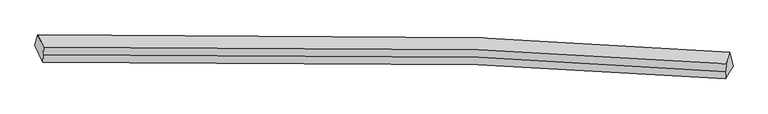
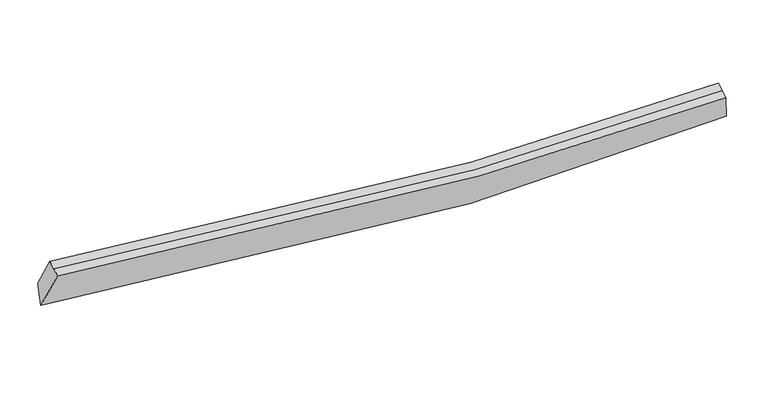
"""IFC4 building model written with IfcOpenShell, lengths in millimetres: proxy geometry."""

from ifc_helpers import new_model, si_unit, frame, origin, place, context, project, spatial, source, transform, mapped, element, save
from ifc_brep_helpers import plane_surface, spline_curve, spline_surface, advanced_brep


def generic_models_317778de(model_context):
    return source(origin(), model_context, "Body", "AdvancedBrep", [
        advanced_brep(
        [(-8141.5649091, -1854.1805428, 3074.127455), (-8078.421106, -1616.4506038, 3453.28693), (7508.31337, -2008.5243933, 2716.9026455), (7578.1426803, -2319.907325, 2526.8884629), (-7962.6564304, -2227.2816517, 3975.3958348), (7407.7750349, -2604.1259843, 3225.2094308), (-7955.4356529, -2065.2247733, 4041.0496889), (7414.9958124, -2442.069106, 3290.8632849), (-7947.5959516, -1889.2773054, 4112.3310162), (7422.8355136, -2266.1216381, 3362.1446122)],
        [
            (0, 1),
            (1, 2, spline_curve(3, [(-8078.421106, -1616.4506038, 3453.28693), (-4768.776526337, -1527.322274295, 2865.504949819), (-1457.317452547, -1548.142237774, 2552.693293944), (3739.488808774, -1753.249746336, 2493.339887602), (5623.607893894, -1863.121046301, 2560.690115315), (7508.31337, -2008.5243933, 2716.9026455)], [4, 2, 4], [0.0, 32.88318576460415, 51.57664835720625])),
            (2, 3),
            (3, 0, spline_curve(3, [(7578.1426803, -2319.907325, 2526.8884629), (5658.230414677, -2142.104755892, 2284.598455826), (3745.842318969, -2008.35192689, 2154.086473018), (-1509.81839276, -1760.854459881, 2102.398095886), (-4837.332826183, -1739.36502716, 2415.323075703), (-8141.5649091, -1854.1805428, 3074.127455)], [4, 2, 4], [0.0, 18.693462592602103, 51.57664835720625])),
            (4, 0),
            (3, 5),
            (5, 4, spline_curve(3, [(7407.7750349, -2604.1259843, 3225.2094308), (5552.786583009, -2462.375976172, 3074.746275944), (3697.085280391, -2355.500759722, 3011.665980353), (-1424.898920638, -2156.846253425, 3078.718552462), (-4692.674772834, -2138.106692216, 3391.860983161), (-7962.6564304, -2227.2816517, 3975.3958348)], [4, 2, 4], [0.0, 18.564628187695668, 51.22118468827641])),
            (6, 4),
            (5, 7),
            (7, 6, spline_curve(3, [(7414.9958124, -2442.069106, 3290.8632849), (5560.007360797, -2300.319098246, 3140.400129983), (3704.306057493, -2193.443881536, 3077.319834224), (-1417.678142439, -1994.789374926, 3144.372406689), (-4685.453994493, -1976.049813353, 3457.5148371), (-7955.4356529, -2065.2247733, 4041.0496889)], [4, 2, 4], [0.0, 18.34870964875965, 50.625449441189986])),
            (8, 6),
            (7, 9),
            (9, 8, spline_curve(3, [(7422.8355136, -2266.1216381, 3362.1446122), (5567.847061997, -2124.371630346, 3211.681457283), (3712.145758693, -2017.496413536, 3148.601161524), (-1409.838441239, -1818.841906926, 3215.653733989), (-4677.614293193, -1800.102345453, 3528.7961644), (-7947.5959516, -1889.2773054, 4112.3310162)], [4, 2, 4], [0.0, 18.348709648759638, 50.62544944118994])),
            (1, 8),
            (9, 2),
        ],
        [
            spline_surface(3, 3, [[(-8141.5649091, -1854.1805428, 3074.127455), (-4837.332826346, -1739.365027678, 2415.323075617), (-1509.818392539, -1760.854459616, 2102.398095739), (3745.842318843, -2008.351927041, 2154.086473101), (5658.230414852, -2142.1047558, 2284.598455605), (7578.1426803, -2319.907325, 2526.8884629)], [(-8120.516974733, -1774.937229792, 3200.51394665), (-4814.480726242, -1668.684109996, 2565.383700413), (-1492.318079209, -1689.950385629, 2252.49649512), (3743.724482171, -1923.317866844, 2267.17094457), (5646.689574581, -2049.110186057, 2376.62900889), (7554.866243549, -2216.113014436, 2590.226523756)], [(-8099.469040367, -1695.693916808, 3326.90043835), (-4791.628626137, -1598.003192337, 2715.44432526), (-1474.817765912, -1619.046311612, 2402.594894585), (3741.606645465, -1838.283806618, 2380.255416121), (5635.148734263, -1956.115616305, 2468.659562207), (7531.589806751, -2112.318703864, 2653.564584644)], [(-8078.421106, -1616.4506038, 3453.28693), (-4768.776526033, -1527.322274655, 2865.504950056), (-1457.317452582, -1548.142237625, 2552.693293966), (3739.488808793, -1753.249746421, 2493.339887589), (5623.607893993, -1863.121046562, 2560.690115492), (7508.31337, -2008.5243933, 2716.9026455)]], [4, 4], [4, 2, 4], [0.0, 1.55600554602705], [0.0, 32.88318576460415, 51.57664835720625]),
            spline_surface(3, 3, [[(-7962.6564304, -2227.2816517, 3975.3958348), (-4692.674772404, -2138.106692002, 3391.860982996), (-1424.898920349, -2156.84625313, 3078.71855258), (3697.085280227, -2355.50075989, 3011.665980286), (5552.786583293, -2462.37597626, 3074.74627606), (7407.7750349, -2604.1259843, 3225.2094308)], [(-8022.292589978, -2102.914615398, 3674.973041531), (-4740.894123729, -2005.192803893, 3066.348347201), (-1453.205411082, -2024.848988619, 2753.278400328), (3713.337626429, -2239.784482267, 2725.806144587), (5587.934527138, -2355.618902772, 2811.363669255), (7464.564250025, -2509.386431198, 2992.435774847)], [(-8081.928749522, -1978.547579102, 3374.550248269), (-4789.113475021, -1872.278915788, 2740.835711412), (-1481.511901806, -1892.851724128, 2427.83824799), (3729.589972641, -2124.068204664, 2439.9463088), (5623.082471007, -2248.861829289, 2547.981062409), (7521.353465175, -2414.646878102, 2759.662118853)], [(-8141.5649091, -1854.1805428, 3074.127455), (-4837.332826346, -1739.365027678, 2415.323075617), (-1509.818392539, -1760.854459616, 2102.398095739), (3745.842318843, -2008.351927041, 2154.086473101), (5658.230414852, -2142.1047558, 2284.598455605), (7578.1426803, -2319.907325, 2526.8884629)]], [4, 4], [4, 2, 4], [0.0, 3.329185134361035], [0.0, 32.65655650058074, 51.22118468827641]),
            spline_surface(3, 3, [[(-7955.4356529, -2065.2247733, 4041.0496889), (-4685.453994904, -1976.049813602, 3457.514837096), (-1417.678142849, -1994.78937483, 3144.37240658), (3704.306057727, -2193.44388159, 3077.319834286), (5560.007360793, -2300.31909796, 3140.40013016), (7414.9958124, -2442.069106, 3290.8632849)], [(-7957.84257872, -2119.243732746, 4019.165070871), (-4687.860920725, -2030.068773048, 3435.630219067), (-1420.085068669, -2048.808334276, 3122.48778855), (3701.899131906, -2247.462841036, 3055.435216257), (5557.600434972, -2354.338057406, 3118.51551213), (7412.58888658, -2496.088065446, 3268.978666871)], [(-7960.24950458, -2173.262692254, 3997.280452829), (-4690.267846584, -2084.087732557, 3413.745601026), (-1422.491994529, -2102.827293685, 3100.603170609), (3699.492206047, -2301.481800445, 3033.550598315), (5555.193509113, -2408.357016814, 3096.630894089), (7410.18196072, -2550.107024854, 3247.094048829)], [(-7962.6564304, -2227.2816517, 3975.3958348), (-4692.674772404, -2138.106692002, 3391.860982996), (-1424.898920349, -2156.84625313, 3078.71855258), (3697.085280227, -2355.50075989, 3011.665980286), (5552.786583293, -2462.37597626, 3074.74627606), (7407.7750349, -2604.1259843, 3225.2094308)]], [4, 4], [4, 2, 4], [0.0, 0.5741469816272982], [0.0, 32.276739792430334, 50.625449441189986]),
            spline_surface(3, 3, [[(-7947.5959516, -1889.2773054, 4112.3310162), (-4677.614293604, -1800.102345702, 3528.796164396), (-1409.838441649, -1818.84190683, 3215.65373388), (3712.145758927, -2017.49641359, 3148.601161586), (5567.847061993, -2124.37163006, 3211.68145746), (7422.8355136, -2266.1216381, 3362.1446122)], [(-7950.209185348, -1947.926461369, 4088.570573768), (-4680.227527352, -1858.751501672, 3505.035721964), (-1412.451675397, -1877.4910628, 3191.893291448), (3709.532525179, -2076.14556956, 3124.840719154), (5565.233828245, -2183.020786029, 3187.921015028), (7420.222279852, -2324.770794069, 3338.384169768)], [(-7952.822419152, -2006.575617331, 4064.810131332), (-4682.840761157, -1917.400657633, 3481.275279528), (-1415.064909101, -1936.140218861, 3168.132849012), (3706.919291474, -2134.794725621, 3101.080276718), (5562.62059454, -2241.669941991, 3164.160572592), (7417.609046148, -2383.419950031, 3314.623727332)], [(-7955.4356529, -2065.2247733, 4041.0496889), (-4685.453994904, -1976.049813602, 3457.514837096), (-1417.678142849, -1994.78937483, 3144.37240658), (3704.306057727, -2193.44388159, 3077.319834286), (5560.007360793, -2300.31909796, 3140.40013016), (7414.9958124, -2442.069106, 3290.8632849)]], [4, 4], [4, 2, 4], [0.0, 0.6233595800524928], [0.0, 32.276739792430305, 50.62544944118994]),
            spline_surface(3, 3, [[(-8078.421106, -1616.4506038, 3453.28693), (-4768.776526033, -1527.322274655, 2865.504950056), (-1457.317452582, -1548.142237625, 2552.693293966), (3739.488808793, -1753.249746421, 2493.339887589), (5623.607893993, -1863.121046562, 2560.690115492), (7508.31337, -2008.5243933, 2716.9026455)], [(-8034.812721221, -1707.392837694, 3672.96829208), (-4738.389115244, -1618.248965032, 3086.602021516), (-1441.49111561, -1638.375460708, 2773.680107297), (3730.374458831, -1841.331968826, 2711.760312282), (5605.020949986, -1950.204574379, 2777.687229473), (7479.820751194, -2094.390141551, 2931.983301058)], [(-7991.204336379, -1798.335071506, 3892.64965412), (-4708.001704393, -1709.175655326, 3307.699092936), (-1425.66477862, -1728.608683746, 2994.666920548), (3721.260108888, -1929.414191185, 2930.180736894), (5586.434005999, -2037.288102243, 2994.684343479), (7451.328132406, -2180.255889849, 3147.063956642)], [(-7947.5959516, -1889.2773054, 4112.3310162), (-4677.614293604, -1800.102345702, 3528.796164396), (-1409.838441649, -1818.84190683, 3215.65373388), (3712.145758927, -2017.49641359, 3148.601161586), (5567.847061993, -2124.37163006, 3211.68145746), (7422.8355136, -2266.1216381, 3362.1446122)]], [4, 4], [4, 2, 4], [0.0, 2.3421294384953466], [0.0, 32.503159652058834, 50.980584663328884]),
            spline_surface(1, 1, [[(7407.7750349, -2604.1259843, 3225.2094308), (7422.8355136, -2266.1216381, 3362.1446122)], [(7578.1426803, -2319.907325, 2526.8884629), (7508.31337, -2008.5243933, 2716.9026455)]], [2, 2], [2, 2], [0.0, 1.0], [0.0, 1.0]),
            plane_surface(frame((-8032.5595993, -1896.7975259, 3653.785309), z_axis=(-0.9827268971730456, -0.030182497018619178, 0.1825838504533177), x_axis=(-0.13971216165174977, -0.5260019517282832, -0.8389293526064231))),
        ],
        [
            (0, [[1, 2, 3, 4]]),
            (1, [[5, -4, 6, 7]]),
            (2, [[8, -7, 9, 10]]),
            (3, [[11, -10, 12, 13]]),
            (4, [[14, -13, 15, -2]]),
            (5, [[-9, -6, -3, -15, -12]]),
            (6, [[-1, -5, -8, -11, -14]]),
        ],
    ),
    ])


if __name__ == "__main__":
    model = new_model("IFC4")
    model_context = context("Model", 3, world=origin())
    ifc_project = project(units=[si_unit("LENGTHUNIT", "METRE", prefix="MILLI")], contexts=[model_context])
    site = spatial("IfcSite", under=ifc_project)
    building = spatial("IfcBuilding", under=site)
    placement = place(None, origin())
    generic_models_shape = generic_models_317778de(model_context)
    element("IfcBuildingElementProxy", 1, Name="Generic Models", at=placement, inside=building, context=model_context, shape_type="MappedRepresentation", body=[
        mapped(generic_models_shape, transform((0.0, 0.0, 0.0), x_axis=(1.0, 0.0, 0.0), y_axis=(0.0, 1.0, 0.0), z_axis=(0.0, 0.0, 1.0))),
    ])
    save(model, "model.ifc")
